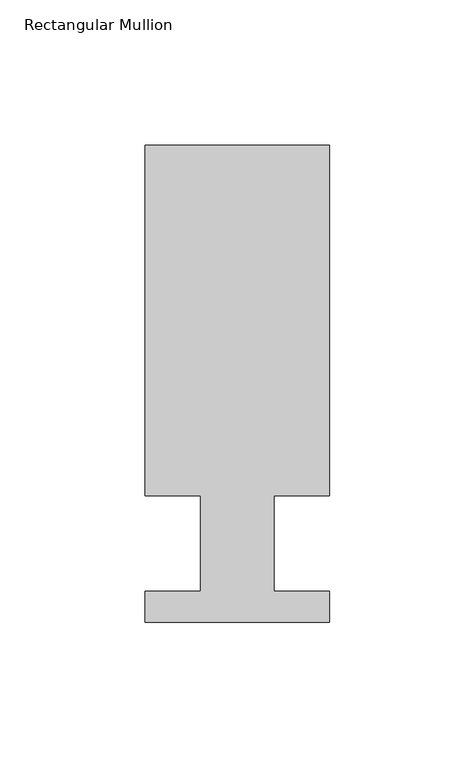
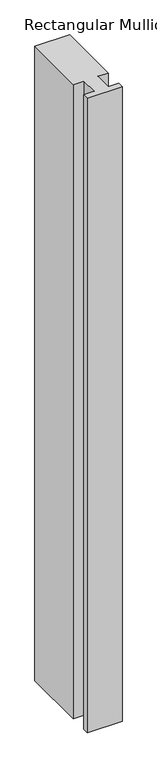
"""IFC4 building model written with IfcOpenShell, lengths in millimetres: member geometry, Rectangular Mullion."""

import ifcopenshell
import ifcopenshell.guid

model = None  # the IFC model being written
_history = None  # IfcOwnerHistory: only IFC2X3 demands one
_inside = {}  # id of a spatial element -> (the spatial element, [elements in it])
_under = {}  # id of a project, library or spatial element -> (it, [spatial elements below it])
_declared = {}  # id of a project -> (the project, [libraries it declares])
_typed = {}  # id of a type object -> (the type object, [elements of that type])
_made_of = {}  # id of a material, layer set ... -> (it, [elements and type objects made of it])


def new_model(schema):
    """Start an empty IFC model of exactly this schema.

    Asked for "IFC4X3", IfcOpenShell would pick the latest addendum, in which some entities
    have other attributes; the version numbers below select the first issue.
    IFC2X3 requires an IfcOwnerHistory on every rooted entity: one is made here for all.
    """
    global model, _history
    if schema == "IFC4X3":
        model = ifcopenshell.file(schema_version=(4, 3, 0, 0))
    else:
        model = ifcopenshell.file(schema=schema)
    _inside.clear()
    _under.clear()
    _declared.clear()
    _typed.clear()
    _made_of.clear()
    _history = None
    if model.schema == "IFC2X3":
        org = make("IfcOrganization", Name="unknown")
        user = make(
            "IfcPersonAndOrganization",
            ThePerson=make("IfcPerson", FamilyName="unknown"),
            TheOrganization=org,
        )
        app = make(
            "IfcApplication",
            ApplicationDeveloper=org,
            Version="unknown",
            ApplicationFullName="unknown",
            ApplicationIdentifier="unknown",
        )
        _history = make(
            "IfcOwnerHistory",
            OwningUser=user,
            OwningApplication=app,
            ChangeAction="ADDED",
            CreationDate=0,
        )
    return model


def make(cls, **values):
    """One entity of the class cls with the attributes given. An attribute that is None is left unset."""
    return model.create_entity(
        cls, **{name: value for name, value in values.items() if value is not None}
    )


def rooted(cls, **values):
    """An entity with a GlobalId (a new one), such as an element, a storey or a relation."""
    return make(cls, GlobalId=ifcopenshell.guid.new(), OwnerHistory=_history, **values)


def si_unit(unit_type, name, prefix=None):
    """IfcSIUnit, for example si_unit("LENGTHUNIT", "METRE", prefix="MILLI")."""
    return make("IfcSIUnit", UnitType=unit_type, Prefix=prefix, Name=name)


def assignment(units):
    """IfcUnitAssignment: the units of a project."""
    return None if units is None else make("IfcUnitAssignment", Units=units)


def point(xyz):
    """IfcCartesianPoint."""
    return None if xyz is None else make("IfcCartesianPoint", Coordinates=xyz)


def direction(xyz):
    """IfcDirection."""
    return None if xyz is None else make("IfcDirection", DirectionRatios=xyz)


def frame(location, z_axis=None, x_axis=None):
    """IfcAxis2Placement3D, a coordinate frame: its origin and axes. An axis left out is left unset."""
    return make(
        "IfcAxis2Placement3D",
        Location=point(location),
        Axis=direction(z_axis),
        RefDirection=direction(x_axis),
    )


def origin():
    """The frame at (0, 0, 0) with its axes left unset."""
    return frame((0.0, 0.0, 0.0))


def place(relative_to, where):
    """IfcLocalPlacement: puts the frame where relative to a parent placement (None: the world)."""
    return make(
        "IfcLocalPlacement", PlacementRelTo=relative_to, RelativePlacement=where
    )


def context(
    kind, dimensions, precision=None, world=None, true_north=None, identifier=None
):
    """IfcGeometricRepresentationContext, for example the 3D "Model" context."""
    return make(
        "IfcGeometricRepresentationContext",
        ContextIdentifier=identifier,
        ContextType=kind,
        CoordinateSpaceDimension=dimensions,
        Precision=precision,
        WorldCoordinateSystem=world,
        TrueNorth=true_north,
    )


def project(units=None, contexts=None):
    """IfcProject with its units and contexts."""
    return rooted(
        "IfcProject",
        Name="project",
        RepresentationContexts=contexts,
        UnitsInContext=assignment(units),
    )


def spatial(cls, under=None, at=None, **own):
    """A site, building, storey or space (cls), placed at a placement, below another one or the project."""
    s = rooted(cls, ObjectPlacement=at, **own)
    if under is not None:
        _under.setdefault(under.id(), (under, []))[1].append(s)
    return s


def polyline(points):
    """IfcPolyline through the points."""
    return make("IfcPolyline", Points=[point(p) for p in points])


def outline(outer, holes=None, kind="AREA"):
    """IfcArbitraryClosedProfileDef: a profile drawn as a closed curve; with holes, ...WithVoids."""
    if holes is None:
        return make("IfcArbitraryClosedProfileDef", ProfileType=kind, OuterCurve=outer)
    return make(
        "IfcArbitraryProfileDefWithVoids",
        ProfileType=kind,
        OuterCurve=outer,
        InnerCurves=holes,
    )


def extrude(swept, where, along, depth):
    """IfcExtrudedAreaSolid: the profile swept, set in the frame where, extruded along a direction by depth."""
    return make(
        "IfcExtrudedAreaSolid",
        SweptArea=swept,
        Position=where,
        ExtrudedDirection=direction(along),
        Depth=depth,
    )


def shape(context_of_items, identifier, shape_type, items):
    """IfcShapeRepresentation: the items that make up one representation, for example the "Body"."""
    return make(
        "IfcShapeRepresentation",
        ContextOfItems=context_of_items,
        RepresentationIdentifier=identifier,
        RepresentationType=shape_type,
        Items=items,
    )


def source(mapping_origin, context_of_items, identifier, shape_type, items):
    """IfcRepresentationMap: a shape defined once, which mapped items show again and again."""
    return make(
        "IfcRepresentationMap",
        MappingOrigin=mapping_origin,
        MappedRepresentation=shape(context_of_items, identifier, shape_type, items),
    )


def transform(
    local_origin,
    x_axis=None,
    y_axis=None,
    z_axis=None,
    scale=None,
    scale2=None,
    scale3=None,
    uniform=True,
):
    """IfcCartesianTransformationOperator3D, or its non-uniform kind. x_axis, y_axis, z_axis: its Axis1, 2, 3."""
    if uniform:
        return make(
            "IfcCartesianTransformationOperator3D",
            Axis1=direction(x_axis),
            Axis2=direction(y_axis),
            LocalOrigin=point(local_origin),
            Scale=scale,
            Axis3=direction(z_axis),
        )
    return make(
        "IfcCartesianTransformationOperator3DnonUniform",
        Axis1=direction(x_axis),
        Axis2=direction(y_axis),
        LocalOrigin=point(local_origin),
        Scale=scale,
        Axis3=direction(z_axis),
        Scale2=scale2,
        Scale3=scale3,
    )


def mapped(mapping_source, mapping_target):
    """IfcMappedItem: shows the shape of a source again, moved by a transform."""
    return make(
        "IfcMappedItem", MappingSource=mapping_source, MappingTarget=mapping_target
    )


def made_of(thing, what):
    """Note that an element or type object is made of a material, layer set ...; save() writes the relation."""
    if what is not None:
        _made_of.setdefault(what.id(), (what, []))[1].append(thing)
    return thing


def element(
    cls,
    number,
    at=None,
    inside=None,
    cuts=None,
    type_object=None,
    material=None,
    context=None,
    identifier="Body",
    shape_type=None,
    held_by="IfcProductDefinitionShape",
    body=None,
    shapes=None,
    **own,
):
    """One element of the class cls, such as IfcWall. Its Tag is "e" and its number.

    at: its placement. inside: the storey or other place that contains it. cuts: it is an
    opening in that element (IfcRelVoidsElement). A single representation is given by context,
    identifier, shape_type and body (its items); several are given by shapes. held_by: the class
    of the entity that holds the representations. save() writes the other relations.
    """
    e = rooted(cls, Tag="e%d" % number, ObjectPlacement=at, **own)
    if body is not None:
        shapes = [shape(context, identifier, shape_type, body)]
    if shapes is not None:
        e.Representation = make(held_by, Representations=shapes)
    if inside is not None:
        _inside.setdefault(inside.id(), (inside, []))[1].append(e)
    if cuts is not None:
        rooted(
            "IfcRelVoidsElement", RelatingBuildingElement=cuts, RelatedOpeningElement=e
        )
    if type_object is not None:
        _typed.setdefault(type_object.id(), (type_object, []))[1].append(e)
    return made_of(e, material)


def aggregate(whole, parts):
    """IfcRelAggregates: a whole, such as a stair, and the parts it consists of."""
    return rooted("IfcRelAggregates", RelatingObject=whole, RelatedObjects=parts)


def save(model, path):
    """Write the relations noted so far, then the file.

    IfcRelAggregates (storeys below a building ...), IfcRelContainedInSpatialStructure (elements
    in a storey), IfcRelDefinesByType, IfcRelAssociatesMaterial and IfcRelDeclares: one each for
    every whole, place, type object, material and project.
    """
    for whole, parts in _under.values():
        aggregate(whole, parts)
    for where, things in _inside.values():
        rooted(
            "IfcRelContainedInSpatialStructure",
            RelatedElements=things,
            RelatingStructure=where,
        )
    for kind, things in _typed.values():
        rooted("IfcRelDefinesByType", RelatedObjects=things, RelatingType=kind)
    for what, things in _made_of.values():
        rooted("IfcRelAssociatesMaterial", RelatedObjects=things, RelatingMaterial=what)
    for by, libraries in _declared.values():
        rooted("IfcRelDeclares", RelatingContext=by, RelatedDefinitions=libraries)
    model.write(path)


def rectangular_mullion_6ca386e6(model_context):
    return source(origin(), model_context, "Body", "SweptSolid", [
        extrude(outline(polyline([(31.75, 152.4), (31.75, 31.75), (12.7, 31.75), (12.7, -1.016), (31.75, -1.016), (31.75, -11.684), (-31.75, -11.684), (-31.75, -1.016), (-12.7, -1.016), (-12.7, 31.75), (-31.75, 31.75), (-31.75, 152.4), (31.75, 152.4)])), frame((0.0, 0.0, -1219.2), z_axis=(0.0, 0.0, 1.0), x_axis=(1.0, 0.0, 0.0)), (0.0, 0.0, 1.0), 1219.2),
    ])


if __name__ == "__main__":
    model = new_model("IFC4")
    model_context = context("Model", 3, world=origin())
    ifc_project = project(units=[si_unit("LENGTHUNIT", "METRE", prefix="MILLI")], contexts=[model_context])
    site = spatial("IfcSite", under=ifc_project)
    building = spatial("IfcBuilding", under=site)
    placement = place(None, origin())
    rectangular_mullion_shape = rectangular_mullion_6ca386e6(model_context)
    element("IfcMember", 1, ObjectType="Rectangular Mullion", at=placement, inside=building, context=model_context, shape_type="MappedRepresentation", body=[
        mapped(rectangular_mullion_shape, transform((0.0, 0.0, 0.0), x_axis=(1.0, 0.0, 0.0), y_axis=(0.0, 1.0, 0.0), z_axis=(0.0, 0.0, 1.0))),
    ])
    save(model, "model.ifc")
